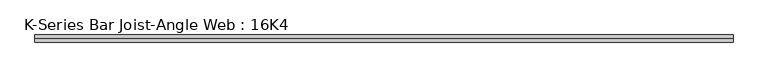
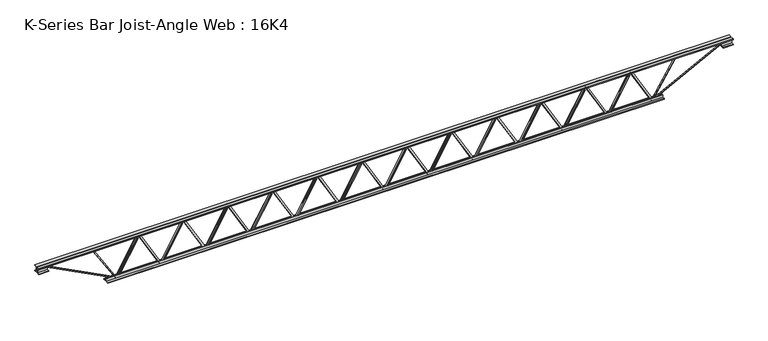
"""IFC4 building model written with IfcOpenShell, lengths in millimetres: beam geometry, K-Series Bar Joist-Angle Web : 16K4."""

from ifc_helpers import new_model, si_unit, frame, origin, place, context, project, spatial, polyline, outline, extrude, faceted_brep, source, transform, mapped, element, save


def k_series_bar_joist_angle_web_16k4_f270fb87(model_context):
    return source(origin(), model_context, "Body", "SolidModel", [
        extrude(outline(polyline([(-4.7625, 4.7625), (-4.7625, 0.0), (-17.4625, 0.0), (-17.4625, 4.7625), (-4.7625, 4.7625)])), frame((2275.3080404, 0.0, -165.1), z_axis=(-0.4966581337037187, 0.0, 0.8679462530744281), x_axis=(0.0, -1.0, 0.0)), (0.0, 0.0, 1.0), 380.4383034),
        extrude(outline(polyline([(-200.025, 2307.1666667), (-180.975, 2307.1666667), (-180.975, 2306.3404318), (200.025, 2088.3237652), (200.025, 2070.1), (180.975, 2070.1), (180.975, 2077.2762348), (-200.025, 2295.2929015), (-200.025, 2307.1666667)])), frame((0.0, 0.0, 0.0), z_axis=(0.0, 1.0, 0.0), x_axis=(0.0, 0.0, 1.0)), (0.0, 0.0, 1.0), 4.7625),
        faceted_brep([(1845.7333333, 0.0, -180.975), (1845.7333333, 0.0, -200.025), (1845.7333333, -4.7625, -200.025), (1845.7333333, -4.7625, -180.975), (1846.5595682, 0.0, -180.975), (2064.5762348, 0.0, 200.025), (2082.8, 0.0, 200.025), (2082.8, 0.0, 180.975), (2075.6237652, 0.0, 180.975), (1857.6070985, 0.0, -200.025), (1857.6070985, -4.7625, -200.025), (1877.5919596, -4.7625, -165.1), (1873.4583656, -4.7625, -162.7346656), (2062.4061434, -4.7625, 167.4653344), (2066.5397374, -4.7625, 165.1), (2075.6237652, -4.7625, 180.975), (2082.8, -4.7625, 180.975), (2082.8, -4.7625, 200.025), (2064.5762348, -4.7625, 200.025), (1846.5595682, -4.7625, -180.975), (2066.5397374, -17.4625, 165.1), (1877.5919596, -17.4625, -165.1), (1873.4583656, -17.4625, -162.7346656), (2062.4061434, -17.4625, 167.4653344)], [[[0, 1, 2, 3]], [[1, 0, 4, 5, 6, 7, 8, 9]], [[2, 1, 9, 10]], [[3, 2, 10, 11, 12, 13, 14, 15, 16, 17, 18, 19]], [[0, 3, 19, 4]], [[9, 8, 15, 14, 20, 21, 11, 10]], [[5, 4, 19, 18]], [[7, 6, 17, 16]], [[8, 7, 16, 15]], [[6, 5, 18, 17]], [[21, 22, 12, 11]], [[20, 14, 13, 23]], [[22, 21, 20, 23]], [[12, 22, 23, 13]]]),
        extrude(outline(polyline([(-4.7625, 4.7625), (-4.7625, 0.0), (-17.4625, 0.0), (-17.4625, 4.7625), (-4.7625, 4.7625)])), frame((1813.8747071, 0.0, -165.1), z_axis=(-0.4966581337037187, 0.0, 0.8679462530744281), x_axis=(0.0, -1.0, 0.0)), (0.0, 0.0, 1.0), 380.4383034),
        extrude(outline(polyline([(-200.025, 1845.7333333), (-180.975, 1845.7333333), (-180.975, 1844.9070985), (200.025, 1626.8904318), (200.025, 1608.6666667), (180.975, 1608.6666667), (180.975, 1615.8429015), (-200.025, 1833.8595682), (-200.025, 1845.7333333)])), frame((0.0, 0.0, 0.0), z_axis=(0.0, 1.0, 0.0), x_axis=(0.0, 0.0, 1.0)), (0.0, 0.0, 1.0), 4.7625),
        faceted_brep([(1384.3, 0.0, -180.975), (1384.3, 0.0, -200.025), (1384.3, -4.7625, -200.025), (1384.3, -4.7625, -180.975), (1385.1262348, 0.0, -180.975), (1603.1429015, 0.0, 200.025), (1621.3666667, 0.0, 200.025), (1621.3666667, 0.0, 180.975), (1614.1904318, 0.0, 180.975), (1396.1737652, 0.0, -200.025), (1396.1737652, -4.7625, -200.025), (1416.1586263, -4.7625, -165.1), (1412.0250322, -4.7625, -162.7346656), (1600.97281, -4.7625, 167.4653344), (1605.1064041, -4.7625, 165.1), (1614.1904318, -4.7625, 180.975), (1621.3666667, -4.7625, 180.975), (1621.3666667, -4.7625, 200.025), (1603.1429015, -4.7625, 200.025), (1385.1262348, -4.7625, -180.975), (1605.1064041, -17.4625, 165.1), (1416.1586263, -17.4625, -165.1), (1412.0250322, -17.4625, -162.7346656), (1600.97281, -17.4625, 167.4653344)], [[[0, 1, 2, 3]], [[1, 0, 4, 5, 6, 7, 8, 9]], [[2, 1, 9, 10]], [[3, 2, 10, 11, 12, 13, 14, 15, 16, 17, 18, 19]], [[0, 3, 19, 4]], [[9, 8, 15, 14, 20, 21, 11, 10]], [[5, 4, 19, 18]], [[7, 6, 17, 16]], [[8, 7, 16, 15]], [[6, 5, 18, 17]], [[21, 22, 12, 11]], [[20, 14, 13, 23]], [[22, 21, 20, 23]], [[12, 22, 23, 13]]]),
        extrude(outline(polyline([(-4.7625, 4.7625001), (-4.7625, 0.0), (-17.4625, 0.0), (-17.4625, 4.7625001), (-4.7625, 4.7625001)])), frame((1352.4413737, 0.0, -165.1), z_axis=(-0.4966581337037187, 0.0, 0.8679462530744281), x_axis=(0.0, -1.0, 0.0)), (0.0, 0.0, 1.0), 380.4383034),
        extrude(outline(polyline([(-200.025, 1384.3), (-180.975, 1384.3), (-180.975, 1383.4737652), (200.025, 1165.4570985), (200.025, 1147.2333333), (180.975, 1147.2333333), (180.975, 1154.4095682), (-200.025, 1372.4262348), (-200.025, 1384.3)])), frame((0.0, 0.0, 0.0), z_axis=(0.0, 1.0, 0.0), x_axis=(0.0, 0.0, 1.0)), (0.0, 0.0, 1.0), 4.7625),
        faceted_brep([(922.8666667, 0.0, -180.975), (922.8666667, 0.0, -200.025), (922.8666667, -4.7625, -200.025), (922.8666667, -4.7625, -180.975), (923.6929015, 0.0, -180.975), (1141.7095682, 0.0, 200.025), (1159.9333333, 0.0, 200.025), (1159.9333333, 0.0, 180.975), (1152.7570985, 0.0, 180.975), (934.7404318, 0.0, -200.025), (934.7404318, -4.7625, -200.025), (954.7252929, -4.7625, -165.1), (950.5916989, -4.7625, -162.7346656), (1139.5394767, -4.7625, 167.4653344), (1143.6730707, -4.7625, 165.1), (1152.7570985, -4.7625, 180.975), (1159.9333333, -4.7625, 180.975), (1159.9333333, -4.7625, 200.025), (1141.7095682, -4.7625, 200.025), (923.6929015, -4.7625, -180.975), (1143.6730707, -17.4625, 165.1), (954.7252929, -17.4625, -165.1), (950.5916989, -17.4625, -162.7346656), (1139.5394767, -17.4625, 167.4653344)], [[[0, 1, 2, 3]], [[1, 0, 4, 5, 6, 7, 8, 9]], [[2, 1, 9, 10]], [[3, 2, 10, 11, 12, 13, 14, 15, 16, 17, 18, 19]], [[0, 3, 19, 4]], [[9, 8, 15, 14, 20, 21, 11, 10]], [[5, 4, 19, 18]], [[7, 6, 17, 16]], [[8, 7, 16, 15]], [[6, 5, 18, 17]], [[21, 22, 12, 11]], [[20, 14, 13, 23]], [[22, 21, 20, 23]], [[12, 22, 23, 13]]]),
        extrude(outline(polyline([(-4.7625, 4.7625), (-4.7625, 0.0), (-17.4625, 0.0), (-17.4625, 4.7625), (-4.7625, 4.7625)])), frame((891.0080404, 0.0, -165.1), z_axis=(-0.4966581337037187, 0.0, 0.8679462530744281), x_axis=(0.0, -1.0, 0.0)), (0.0, 0.0, 1.0), 380.4383034),
        extrude(outline(polyline([(-200.025, 922.8666667), (-180.975, 922.8666667), (-180.975, 922.0404318), (200.025, 704.0237652), (200.025, 685.8), (180.975, 685.8), (180.975, 692.9762348), (-200.025, 910.9929015), (-200.025, 922.8666667)])), frame((0.0, 0.0, 0.0), z_axis=(0.0, 1.0, 0.0), x_axis=(0.0, 0.0, 1.0)), (0.0, 0.0, 1.0), 4.7625),
        faceted_brep([(461.4333333, 0.0, -180.975), (461.4333333, 0.0, -200.025), (461.4333333, -4.7625, -200.025), (461.4333333, -4.7625, -180.975), (462.2595682, 0.0, -180.975), (680.2762348, 0.0, 200.025), (698.5, 0.0, 200.025), (698.5, 0.0, 180.975), (691.3237652, 0.0, 180.975), (473.3070985, 0.0, -200.025), (473.3070985, -4.7625, -200.025), (493.2919596, -4.7625, -165.1), (489.1583656, -4.7625, -162.7346656), (678.1061434, -4.7625, 167.4653344), (682.2397374, -4.7625, 165.1), (691.3237652, -4.7625, 180.975), (698.5, -4.7625, 180.975), (698.5, -4.7625, 200.025), (680.2762348, -4.7625, 200.025), (462.2595682, -4.7625, -180.975), (682.2397374, -17.4625, 165.1), (493.2919596, -17.4625, -165.1), (489.1583656, -17.4625, -162.7346656), (678.1061434, -17.4625, 167.4653344)], [[[0, 1, 2, 3]], [[1, 0, 4, 5, 6, 7, 8, 9]], [[2, 1, 9, 10]], [[3, 2, 10, 11, 12, 13, 14, 15, 16, 17, 18, 19]], [[0, 3, 19, 4]], [[9, 8, 15, 14, 20, 21, 11, 10]], [[5, 4, 19, 18]], [[7, 6, 17, 16]], [[8, 7, 16, 15]], [[6, 5, 18, 17]], [[21, 22, 12, 11]], [[20, 14, 13, 23]], [[22, 21, 20, 23]], [[12, 22, 23, 13]]]),
        extrude(outline(polyline([(-4.7625, 4.7625), (-4.7625, 0.0), (-17.4625, 0.0), (-17.4625, 4.7625), (-4.7625, 4.7625)])), frame((429.5747071, 0.0, -165.1), z_axis=(-0.4966581337037187, 0.0, 0.8679462530744281), x_axis=(0.0, -1.0, 0.0)), (0.0, 0.0, 1.0), 380.4383034),
        extrude(outline(polyline([(-200.025, 461.4333333), (-180.975, 461.4333333), (-180.975, 460.6070985), (200.025, 242.5904318), (200.025, 224.3666667), (180.975, 224.3666667), (180.975, 231.5429015), (-200.025, 449.5595682), (-200.025, 461.4333333)])), frame((0.0, 0.0, 0.0), z_axis=(0.0, 1.0, 0.0), x_axis=(0.0, 0.0, 1.0)), (0.0, 0.0, 1.0), 4.7625),
        faceted_brep([(0.0, 0.0, -180.975), (0.0, 0.0, -200.025), (0.0, -4.7625, -200.025), (0.0, -4.7625, -180.975), (0.8262348, 0.0, -180.975), (218.8429015, 0.0, 200.025), (237.0666667, 0.0, 200.025), (237.0666667, 0.0, 180.975), (229.8904318, 0.0, 180.975), (11.8737652, 0.0, -200.025), (11.8737652, -4.7625, -200.025), (31.8586263, -4.7625, -165.1), (27.7250322, -4.7625, -162.7346656), (216.67281, -4.7625, 167.4653344), (220.8064041, -4.7625, 165.1), (229.8904318, -4.7625, 180.975), (237.0666667, -4.7625, 180.975), (237.0666667, -4.7625, 200.025), (218.8429015, -4.7625, 200.025), (0.8262348, -4.7625, -180.975), (220.8064041, -17.4625, 165.1), (31.8586263, -17.4625, -165.1), (27.7250322, -17.4625, -162.7346656), (216.67281, -17.4625, 167.4653344)], [[[0, 1, 2, 3]], [[1, 0, 4, 5, 6, 7, 8, 9]], [[2, 1, 9, 10]], [[3, 2, 10, 11, 12, 13, 14, 15, 16, 17, 18, 19]], [[0, 3, 19, 4]], [[9, 8, 15, 14, 20, 21, 11, 10]], [[5, 4, 19, 18]], [[7, 6, 17, 16]], [[8, 7, 16, 15]], [[6, 5, 18, 17]], [[21, 22, 12, 11]], [[20, 14, 13, 23]], [[22, 21, 20, 23]], [[12, 22, 23, 13]]]),
        extrude(outline(polyline([(-4.7625, 4.7625001), (-4.7625, 0.0), (-17.4625, 0.0), (-17.4625, 4.7625001), (-4.7625, 4.7625001)])), frame((-31.8586263, 0.0, -165.1), z_axis=(-0.4966581337037187, 0.0, 0.8679462530744281), x_axis=(0.0, -1.0, 0.0)), (0.0, 0.0, 1.0), 380.4383034),
        extrude(outline(polyline([(-200.025, 0.0), (-180.975, 0.0), (-180.975, -0.8262348), (200.025, -218.8429015), (200.025, -237.0666667), (180.975, -237.0666667), (180.975, -229.8904318), (-200.025, -11.8737652), (-200.025, 0.0)])), frame((0.0, 0.0, 0.0), z_axis=(0.0, 1.0, 0.0), x_axis=(0.0, 0.0, 1.0)), (0.0, 0.0, 1.0), 4.7625),
        faceted_brep([(-461.4333333, 0.0, -180.975), (-461.4333333, 0.0, -200.025), (-461.4333333, -4.7625, -200.025), (-461.4333333, -4.7625, -180.975), (-460.6070985, 0.0, -180.975), (-242.5904318, 0.0, 200.025), (-224.3666667, 0.0, 200.025), (-224.3666667, 0.0, 180.975), (-231.5429015, 0.0, 180.975), (-449.5595682, 0.0, -200.025), (-449.5595682, -4.7625, -200.025), (-429.5747071, -4.7625, -165.1), (-433.7083011, -4.7625, -162.7346656), (-244.7605233, -4.7625, 167.4653344), (-240.6269293, -4.7625, 165.1), (-231.5429015, -4.7625, 180.975), (-224.3666667, -4.7625, 180.975), (-224.3666667, -4.7625, 200.025), (-242.5904318, -4.7625, 200.025), (-460.6070985, -4.7625, -180.975), (-240.6269293, -17.4625, 165.1), (-429.5747071, -17.4625, -165.1), (-433.7083011, -17.4625, -162.7346656), (-244.7605233, -17.4625, 167.4653344)], [[[0, 1, 2, 3]], [[1, 0, 4, 5, 6, 7, 8, 9]], [[2, 1, 9, 10]], [[3, 2, 10, 11, 12, 13, 14, 15, 16, 17, 18, 19]], [[0, 3, 19, 4]], [[9, 8, 15, 14, 20, 21, 11, 10]], [[5, 4, 19, 18]], [[7, 6, 17, 16]], [[8, 7, 16, 15]], [[6, 5, 18, 17]], [[21, 22, 12, 11]], [[20, 14, 13, 23]], [[22, 21, 20, 23]], [[12, 22, 23, 13]]]),
        extrude(outline(polyline([(-4.7625, 4.7625), (-4.7625, 0.0), (-17.4625, 0.0), (-17.4625, 4.7625), (-4.7625, 4.7625)])), frame((-493.2919596, 0.0, -165.1), z_axis=(-0.4966581337037187, 0.0, 0.8679462530744281), x_axis=(0.0, -1.0, 0.0)), (0.0, 0.0, 1.0), 380.4383034),
        extrude(outline(polyline([(-200.025, -461.4333333), (-180.975, -461.4333333), (-180.975, -462.2595682), (200.025, -680.2762348), (200.025, -698.5), (180.975, -698.5), (180.975, -691.3237652), (-200.025, -473.3070985), (-200.025, -461.4333333)])), frame((0.0, 0.0, 0.0), z_axis=(0.0, 1.0, 0.0), x_axis=(0.0, 0.0, 1.0)), (0.0, 0.0, 1.0), 4.7625),
        faceted_brep([(-922.8666667, 0.0, -180.975), (-922.8666667, 0.0, -200.025), (-922.8666667, -4.7625, -200.025), (-922.8666667, -4.7625, -180.975), (-922.0404318, 0.0, -180.975), (-704.0237652, 0.0, 200.025), (-685.8, 0.0, 200.025), (-685.8, 0.0, 180.975), (-692.9762348, 0.0, 180.975), (-910.9929015, 0.0, -200.025), (-910.9929015, -4.7625, -200.025), (-891.0080404, -4.7625, -165.1), (-895.1416344, -4.7625, -162.7346656), (-706.1938566, -4.7625, 167.4653344), (-702.0602626, -4.7625, 165.1), (-692.9762348, -4.7625, 180.975), (-685.8, -4.7625, 180.975), (-685.8, -4.7625, 200.025), (-704.0237652, -4.7625, 200.025), (-922.0404318, -4.7625, -180.975), (-702.0602626, -17.4625, 165.1), (-891.0080404, -17.4625, -165.1), (-895.1416344, -17.4625, -162.7346656), (-706.1938566, -17.4625, 167.4653344)], [[[0, 1, 2, 3]], [[1, 0, 4, 5, 6, 7, 8, 9]], [[2, 1, 9, 10]], [[3, 2, 10, 11, 12, 13, 14, 15, 16, 17, 18, 19]], [[0, 3, 19, 4]], [[9, 8, 15, 14, 20, 21, 11, 10]], [[5, 4, 19, 18]], [[7, 6, 17, 16]], [[8, 7, 16, 15]], [[6, 5, 18, 17]], [[21, 22, 12, 11]], [[20, 14, 13, 23]], [[22, 21, 20, 23]], [[12, 22, 23, 13]]]),
        extrude(outline(polyline([(-4.7625, 4.7625), (-4.7625, 0.0), (-17.4625, 0.0), (-17.4625, 4.7625), (-4.7625, 4.7625)])), frame((-954.7252929, 0.0, -165.1), z_axis=(-0.4966581337037187, 0.0, 0.8679462530744281), x_axis=(0.0, -1.0, 0.0)), (0.0, 0.0, 1.0), 380.4383034),
        extrude(outline(polyline([(-200.025, -922.8666667), (-180.975, -922.8666667), (-180.975, -923.6929015), (200.025, -1141.7095682), (200.025, -1159.9333333), (180.975, -1159.9333333), (180.975, -1152.7570985), (-200.025, -934.7404318), (-200.025, -922.8666667)])), frame((0.0, 0.0, 0.0), z_axis=(0.0, 1.0, 0.0), x_axis=(0.0, 0.0, 1.0)), (0.0, 0.0, 1.0), 4.7625),
        faceted_brep([(-1384.3, 0.0, -180.975), (-1384.3, 0.0, -200.025), (-1384.3, -4.7625, -200.025), (-1384.3, -4.7625, -180.975), (-1383.4737652, 0.0, -180.975), (-1165.4570985, 0.0, 200.025), (-1147.2333333, 0.0, 200.025), (-1147.2333333, 0.0, 180.975), (-1154.4095682, 0.0, 180.975), (-1372.4262348, 0.0, -200.025), (-1372.4262348, -4.7625, -200.025), (-1352.4413737, -4.7625, -165.1), (-1356.5749678, -4.7625, -162.7346656), (-1167.62719, -4.7625, 167.4653344), (-1163.4935959, -4.7625, 165.1), (-1154.4095682, -4.7625, 180.975), (-1147.2333333, -4.7625, 180.975), (-1147.2333333, -4.7625, 200.025), (-1165.4570985, -4.7625, 200.025), (-1383.4737652, -4.7625, -180.975), (-1163.4935959, -17.4625, 165.1), (-1352.4413737, -17.4625, -165.1), (-1356.5749678, -17.4625, -162.7346656), (-1167.62719, -17.4625, 167.4653344)], [[[0, 1, 2, 3]], [[1, 0, 4, 5, 6, 7, 8, 9]], [[2, 1, 9, 10]], [[3, 2, 10, 11, 12, 13, 14, 15, 16, 17, 18, 19]], [[0, 3, 19, 4]], [[9, 8, 15, 14, 20, 21, 11, 10]], [[5, 4, 19, 18]], [[7, 6, 17, 16]], [[8, 7, 16, 15]], [[6, 5, 18, 17]], [[21, 22, 12, 11]], [[20, 14, 13, 23]], [[22, 21, 20, 23]], [[12, 22, 23, 13]]]),
        extrude(outline(polyline([(-4.7625, 4.7625001), (-4.7625, 0.0), (-17.4625, 0.0), (-17.4625, 4.7625001), (-4.7625, 4.7625001)])), frame((-1416.1586263, 0.0, -165.1), z_axis=(-0.4966581337037187, 0.0, 0.8679462530744281), x_axis=(0.0, -1.0, 0.0)), (0.0, 0.0, 1.0), 380.4383034),
        extrude(outline(polyline([(-200.025, -1384.3), (-180.975, -1384.3), (-180.975, -1385.1262348), (200.025, -1603.1429015), (200.025, -1621.3666667), (180.975, -1621.3666667), (180.975, -1614.1904318), (-200.025, -1396.1737652), (-200.025, -1384.3)])), frame((0.0, 0.0, 0.0), z_axis=(0.0, 1.0, 0.0), x_axis=(0.0, 0.0, 1.0)), (0.0, 0.0, 1.0), 4.7625),
        faceted_brep([(-1845.7333333, 0.0, -180.975), (-1845.7333333, 0.0, -200.025), (-1845.7333333, -4.7625, -200.025), (-1845.7333333, -4.7625, -180.975), (-1844.9070985, 0.0, -180.975), (-1626.8904318, 0.0, 200.025), (-1608.6666667, 0.0, 200.025), (-1608.6666667, 0.0, 180.975), (-1615.8429015, 0.0, 180.975), (-1833.8595682, 0.0, -200.025), (-1833.8595682, -4.7625, -200.025), (-1813.8747071, -4.7625, -165.1), (-1818.0083011, -4.7625, -162.7346656), (-1629.0605233, -4.7625, 167.4653344), (-1624.9269293, -4.7625, 165.1), (-1615.8429015, -4.7625, 180.975), (-1608.6666667, -4.7625, 180.975), (-1608.6666667, -4.7625, 200.025), (-1626.8904318, -4.7625, 200.025), (-1844.9070985, -4.7625, -180.975), (-1624.9269293, -17.4625, 165.1), (-1813.8747071, -17.4625, -165.1), (-1818.0083011, -17.4625, -162.7346656), (-1629.0605233, -17.4625, 167.4653344)], [[[0, 1, 2, 3]], [[1, 0, 4, 5, 6, 7, 8, 9]], [[2, 1, 9, 10]], [[3, 2, 10, 11, 12, 13, 14, 15, 16, 17, 18, 19]], [[0, 3, 19, 4]], [[9, 8, 15, 14, 20, 21, 11, 10]], [[5, 4, 19, 18]], [[7, 6, 17, 16]], [[8, 7, 16, 15]], [[6, 5, 18, 17]], [[21, 22, 12, 11]], [[20, 14, 13, 23]], [[22, 21, 20, 23]], [[12, 22, 23, 13]]]),
        extrude(outline(polyline([(-4.7625, 4.7625), (-4.7625, 0.0), (-17.4625, 0.0), (-17.4625, 4.7625), (-4.7625, 4.7625)])), frame((-1877.5919596, 0.0, -165.1), z_axis=(-0.4966581337037187, 0.0, 0.8679462530744281), x_axis=(0.0, -1.0, 0.0)), (0.0, 0.0, 1.0), 380.4383034),
        extrude(outline(polyline([(-200.025, -1845.7333333), (-180.975, -1845.7333333), (-180.975, -1846.5595682), (200.025, -2064.5762348), (200.025, -2082.8), (180.975, -2082.8), (180.975, -2075.6237652), (-200.025, -1857.6070985), (-200.025, -1845.7333333)])), frame((0.0, 0.0, 0.0), z_axis=(0.0, 1.0, 0.0), x_axis=(0.0, 0.0, 1.0)), (0.0, 0.0, 1.0), 4.7625),
        faceted_brep([(-2307.1666667, 0.0, -180.975), (-2307.1666667, 0.0, -200.025), (-2307.1666667, -4.7625, -200.025), (-2307.1666667, -4.7625, -180.975), (-2306.3404318, 0.0, -180.975), (-2088.3237652, 0.0, 200.025), (-2070.1, 0.0, 200.025), (-2070.1, 0.0, 180.975), (-2077.2762348, 0.0, 180.975), (-2295.2929015, 0.0, -200.025), (-2295.2929015, -4.7625, -200.025), (-2275.3080404, -4.7625, -165.1), (-2279.4416344, -4.7625, -162.7346656), (-2090.4938566, -4.7625, 167.4653344), (-2086.3602626, -4.7625, 165.1), (-2077.2762348, -4.7625, 180.975), (-2070.1, -4.7625, 180.975), (-2070.1, -4.7625, 200.025), (-2088.3237652, -4.7625, 200.025), (-2306.3404318, -4.7625, -180.975), (-2086.3602626, -17.4625, 165.1), (-2275.3080404, -17.4625, -165.1), (-2279.4416344, -17.4625, -162.7346656), (-2090.4938566, -17.4625, 167.4653344)], [[[0, 1, 2, 3]], [[1, 0, 4, 5, 6, 7, 8, 9]], [[2, 1, 9, 10]], [[3, 2, 10, 11, 12, 13, 14, 15, 16, 17, 18, 19]], [[0, 3, 19, 4]], [[9, 8, 15, 14, 20, 21, 11, 10]], [[5, 4, 19, 18]], [[7, 6, 17, 16]], [[8, 7, 16, 15]], [[6, 5, 18, 17]], [[21, 22, 12, 11]], [[20, 14, 13, 23]], [[22, 21, 20, 23]], [[12, 22, 23, 13]]]),
        extrude(outline(polyline([(-4.7625, 4.7625001), (-4.7625, 0.0), (-17.4625, 0.0), (-17.4625, 4.7625001), (-4.7625, 4.7625001)])), frame((2736.7413737, 0.0, -165.1), z_axis=(-0.4966581337037187, 0.0, 0.8679462530744281), x_axis=(0.0, -1.0, 0.0)), (0.0, 0.0, 1.0), 380.4383034),
        extrude(outline(polyline([(-200.025, 2768.6), (-180.975, 2768.6), (-180.975, 2767.7737652), (200.025, 2549.7570985), (200.025, 2531.5333333), (180.975, 2531.5333333), (180.975, 2538.7095682), (-200.025, 2756.7262348), (-200.025, 2768.6)])), frame((0.0, 0.0, 0.0), z_axis=(0.0, 1.0, 0.0), x_axis=(0.0, 0.0, 1.0)), (0.0, 0.0, 1.0), 4.7625),
        faceted_brep([(2307.1666667, 0.0, -180.975), (2307.1666667, 0.0, -200.025), (2307.1666667, -4.7625, -200.025), (2307.1666667, -4.7625, -180.975), (2307.9929015, 0.0, -180.975), (2526.0095682, 0.0, 200.025), (2544.2333333, 0.0, 200.025), (2544.2333333, 0.0, 180.975), (2537.0570985, 0.0, 180.975), (2319.0404318, 0.0, -200.025), (2319.0404318, -4.7625, -200.025), (2339.0252929, -4.7625, -165.1), (2334.8916989, -4.7625, -162.7346656), (2523.8394767, -4.7625, 167.4653344), (2527.9730707, -4.7625, 165.1), (2537.0570985, -4.7625, 180.975), (2544.2333333, -4.7625, 180.975), (2544.2333333, -4.7625, 200.025), (2526.0095682, -4.7625, 200.025), (2307.9929015, -4.7625, -180.975), (2527.9730707, -17.4625, 165.1), (2339.0252929, -17.4625, -165.1), (2334.8916989, -17.4625, -162.7346656), (2523.8394767, -17.4625, 167.4653344)], [[[0, 1, 2, 3]], [[1, 0, 4, 5, 6, 7, 8, 9]], [[2, 1, 9, 10]], [[3, 2, 10, 11, 12, 13, 14, 15, 16, 17, 18, 19]], [[0, 3, 19, 4]], [[9, 8, 15, 14, 20, 21, 11, 10]], [[5, 4, 19, 18]], [[7, 6, 17, 16]], [[8, 7, 16, 15]], [[6, 5, 18, 17]], [[21, 22, 12, 11]], [[20, 14, 13, 23]], [[22, 21, 20, 23]], [[12, 22, 23, 13]]]),
        extrude(outline(polyline([(-4.7625, 4.7625), (-4.7625, 0.0), (-17.4625, 0.0), (-17.4625, 4.7625), (-4.7625, 4.7625)])), frame((-2339.0252929, 0.0, -165.1), z_axis=(-0.4966581337037187, 0.0, 0.8679462530744281), x_axis=(0.0, -1.0, 0.0)), (0.0, 0.0, 1.0), 380.4383034),
        extrude(outline(polyline([(-200.025, -2307.1666667), (-180.975, -2307.1666667), (-180.975, -2307.9929015), (200.025, -2526.0095682), (200.025, -2544.2333333), (180.975, -2544.2333333), (180.975, -2537.0570985), (-200.025, -2319.0404318), (-200.025, -2307.1666667)])), frame((0.0, 0.0, 0.0), z_axis=(0.0, 1.0, 0.0), x_axis=(0.0, 0.0, 1.0)), (0.0, 0.0, 1.0), 4.7625),
        faceted_brep([(-2768.6, 0.0, -180.975), (-2768.6, 0.0, -200.025), (-2768.6, -4.7625, -200.025), (-2768.6, -4.7625, -180.975), (-2767.7737652, 0.0, -180.975), (-2549.7570985, 0.0, 200.025), (-2531.5333333, 0.0, 200.025), (-2531.5333333, 0.0, 180.975), (-2538.7095682, 0.0, 180.975), (-2756.7262348, 0.0, -200.025), (-2756.7262348, -4.7625, -200.025), (-2736.7413737, -4.7625, -165.1), (-2740.8749678, -4.7625, -162.7346656), (-2551.92719, -4.7625, 167.4653344), (-2547.7935959, -4.7625, 165.1), (-2538.7095682, -4.7625, 180.975), (-2531.5333333, -4.7625, 180.975), (-2531.5333333, -4.7625, 200.025), (-2549.7570985, -4.7625, 200.025), (-2767.7737652, -4.7625, -180.975), (-2547.7935959, -17.4625, 165.1), (-2736.7413737, -17.4625, -165.1), (-2740.8749678, -17.4625, -162.7346656), (-2551.92719, -17.4625, 167.4653344)], [[[0, 1, 2, 3]], [[1, 0, 4, 5, 6, 7, 8, 9]], [[2, 1, 9, 10]], [[3, 2, 10, 11, 12, 13, 14, 15, 16, 17, 18, 19]], [[0, 3, 19, 4]], [[9, 8, 15, 14, 20, 21, 11, 10]], [[5, 4, 19, 18]], [[7, 6, 17, 16]], [[8, 7, 16, 15]], [[6, 5, 18, 17]], [[21, 22, 12, 11]], [[20, 14, 13, 23]], [[22, 21, 20, 23]], [[12, 22, 23, 13]]]),
        extrude(outline(polyline([(4.7625, 203.2), (36.5125, 203.2), (36.5125, 196.85), (11.1125, 196.85), (11.1125, 171.45), (4.7625, 171.45), (4.7625, 203.2)])), frame((-3581.4, 0.0, 0.0), z_axis=(1.0, 0.0, 0.0), x_axis=(0.0, 1.0, 0.0)), (0.0, 0.0, 1.0), 7162.8),
        extrude(outline(polyline([(-4.7625, 203.2), (-4.7625, 171.45), (-11.1125, 171.45), (-11.1125, 196.85), (-36.5125, 196.85), (-36.5125, 203.2), (-4.7625, 203.2)])), frame((-3581.4, 0.0, 0.0), z_axis=(1.0, 0.0, 0.0), x_axis=(0.0, 1.0, 0.0)), (0.0, 0.0, 1.0), 7162.8),
        extrude(outline(polyline([(-4.7625, 139.7), (-36.5125, 139.7), (-36.5125, 146.05), (-11.1125, 146.05), (-11.1125, 171.45), (-4.7625, 171.45), (-4.7625, 139.7)])), frame((-3581.4, 0.0, 0.0), z_axis=(1.0, 0.0, 0.0), x_axis=(0.0, 1.0, 0.0)), (0.0, 0.0, 1.0), 101.6),
        extrude(outline(polyline([(36.5125, 139.7), (4.7625, 139.7), (4.7625, 171.45), (11.1125, 171.45), (11.1125, 146.05), (36.5125, 146.05), (36.5125, 139.7)])), frame((-3581.4, 0.0, 0.0), z_axis=(1.0, 0.0, 0.0), x_axis=(0.0, 1.0, 0.0)), (0.0, 0.0, 1.0), 101.6),
        extrude(outline(polyline([(4.7625, 139.7), (4.7625, 171.45), (11.1125, 171.45), (11.1125, 146.05), (36.5125, 146.05), (36.5125, 139.7), (4.7625, 139.7)])), frame((3479.8, 0.0, 0.0), z_axis=(1.0, 0.0, 0.0), x_axis=(0.0, 1.0, 0.0)), (0.0, 0.0, 1.0), 101.6),
        extrude(outline(polyline([(-4.7625, 139.7), (-36.5125, 139.7), (-36.5125, 146.05), (-11.1125, 146.05), (-11.1125, 171.45), (-4.7625, 171.45), (-4.7625, 139.7)])), frame((3479.8, 0.0, 0.0), z_axis=(1.0, 0.0, 0.0), x_axis=(0.0, 1.0, 0.0)), (0.0, 0.0, 1.0), 101.6),
        extrude(outline(polyline([(4.7625, -203.2), (4.7625, -171.45), (11.1125, -171.45), (11.1125, -196.85), (36.5125, -196.85), (36.5125, -203.2), (4.7625, -203.2)])), frame((-2870.2, 0.0, 0.0), z_axis=(1.0, 0.0, 0.0), x_axis=(0.0, 1.0, 0.0)), (0.0, 0.0, 1.0), 5740.4),
        extrude(outline(polyline([(-4.7625, -203.2), (-36.5125, -203.2), (-36.5125, -196.85), (-11.1125, -196.85), (-11.1125, -171.45), (-4.7625, -171.45), (-4.7625, -203.2)])), frame((-2870.2, 0.0, 0.0), z_axis=(1.0, 0.0, 0.0), x_axis=(0.0, 1.0, 0.0)), (0.0, 0.0, 1.0), 5740.4),
        extrude(outline(polyline([(4.7625, 4.7625), (4.7625, -4.7625), (-4.7625, -4.7625), (-4.7625, 4.7625), (4.7625, 4.7625)])), frame((2768.6, 0.0, -196.85), z_axis=(0.5308742360632781, 0.0, 0.8474506153660112), x_axis=(0.0, -1.0, 0.0)), (0.0, 0.0, 1.0), 434.5975958),
        extrude(outline(polyline([(4.7625, 4.7625), (4.7625, -4.7625), (-4.7625, -4.7625), (-4.7625, 4.7625), (4.7625, 4.7625)])), frame((-2768.6, 0.0, -196.85), z_axis=(-0.5308742360632495, 0.0, 0.8474506153660291), x_axis=(0.0, -1.0, 0.0)), (0.0, 0.0, 1.0), 434.5975958),
        extrude(outline(polyline([(0.0, -9.525), (0.0, 0.0), (800.9059433, 0.0), (800.9059433, -9.525), (0.0, -9.525)])), frame((3481.9900559, -4.7625, 167.2209266), z_axis=(-0.4598542476610147, 0.0, 0.8879944092775147), x_axis=(-0.8879944092775147, 0.0, -0.4598542476610147)), (0.0, 0.0, 1.0), 9.525),
        extrude(outline(polyline([(0.0, -9.525), (0.0, 0.0), (800.9059433, 0.0), (800.9059433, -9.525), (0.0, -9.525)])), frame((-3481.9900559, 4.7625, 167.2209266), z_axis=(0.459854247661012, 0.0, 0.887994409277516), x_axis=(0.887994409277516, 0.0, -0.459854247661012)), (0.0, 0.0, 1.0), 9.525),
    ])


if __name__ == "__main__":
    model = new_model("IFC4")
    model_context = context("Model", 3, world=origin())
    ifc_project = project(units=[si_unit("LENGTHUNIT", "METRE", prefix="MILLI")], contexts=[model_context])
    site = spatial("IfcSite", under=ifc_project)
    building = spatial("IfcBuilding", under=site)
    placement = place(None, origin())
    k_series_bar_joist_angle_web_16k4_shape = k_series_bar_joist_angle_web_16k4_f270fb87(model_context)
    element("IfcBeam", 1, ObjectType="K-Series Bar Joist-Angle Web : 16K4", at=placement, inside=building, context=model_context, shape_type="MappedRepresentation", body=[
        mapped(k_series_bar_joist_angle_web_16k4_shape, transform((0.0, 0.0, 0.0), x_axis=(1.0, 0.0, 0.0), y_axis=(0.0, 1.0, 0.0), z_axis=(0.0, 0.0, 1.0))),
    ])
    save(model, "model.ifc")
